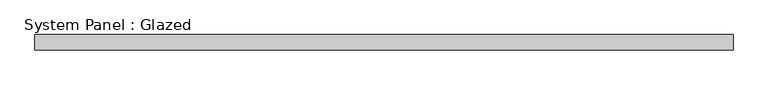
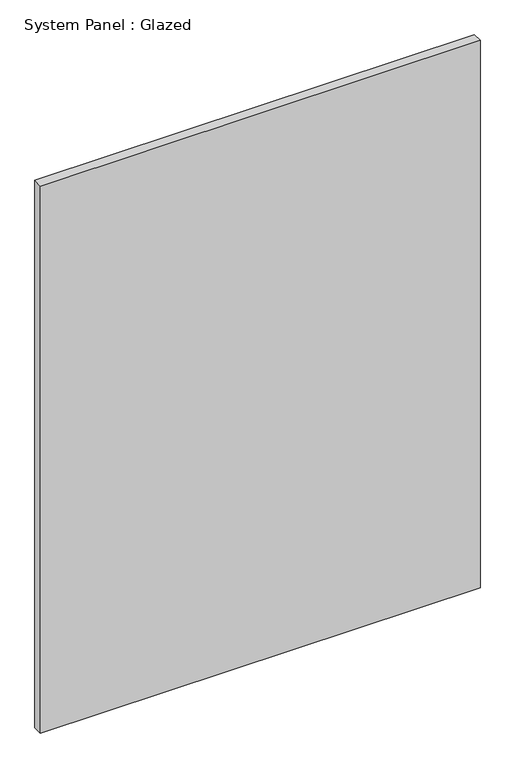
"""IFC4 building model written with IfcOpenShell, lengths in millimetres: plate geometry, System Panel : Glazed."""

from ifc_helpers import new_model, si_unit, origin, origin_with_axes, place, context, project, spatial, polyline, outline, extrude, source, transform, mapped, element, save


def system_panel_glazed_ba973817(model_context):
    return source(origin(), model_context, "Body", "SweptSolid", [
        extrude(outline(polyline([(570.0, -49.5), (-570.0, -49.5), (-570.0, -24.5), (570.0, -24.5), (570.0, -49.5)])), origin_with_axes(), (0.0, 0.0, 1.0), 1500.0),
    ])


if __name__ == "__main__":
    model = new_model("IFC4")
    model_context = context("Model", 3, world=origin())
    ifc_project = project(units=[si_unit("LENGTHUNIT", "METRE", prefix="MILLI")], contexts=[model_context])
    site = spatial("IfcSite", under=ifc_project)
    building = spatial("IfcBuilding", under=site)
    placement = place(None, origin())
    system_panel_glazed_shape = system_panel_glazed_ba973817(model_context)
    element("IfcPlate", 1, ObjectType="System Panel : Glazed", at=placement, inside=building, context=model_context, shape_type="MappedRepresentation", body=[
        mapped(system_panel_glazed_shape, transform((0.0, 0.0, 0.0), x_axis=(1.0, 0.0, 0.0), y_axis=(0.0, 1.0, 0.0), z_axis=(0.0, 0.0, 1.0))),
    ])
    save(model, "model.ifc")
